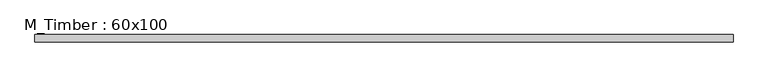
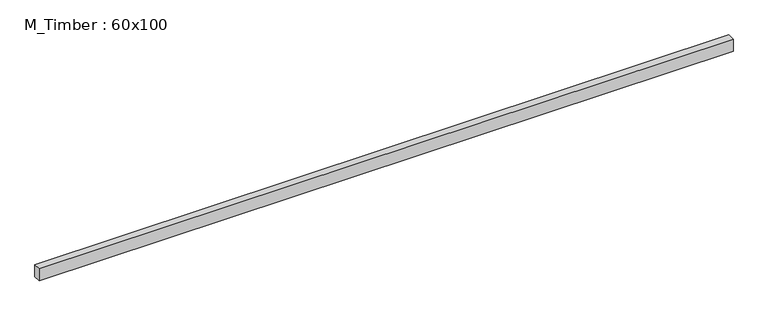
"""IFC4 building model written with IfcOpenShell, lengths in millimetres: beam geometry, M_Timber : 60x100."""

from ifc_helpers import new_model, si_unit, frame, origin, place, context, project, spatial, polyline, outline, extrude, source, transform, mapped, element, save


def m_timber_60x100_6d70f79e(model_context):
    return source(origin(), model_context, "Body", "SweptSolid", [
        extrude(outline(polyline([(2864.5637244, 30.0), (2864.5637244, -30.0), (-2678.1712424, -30.0), (-2678.1712424, 30.0), (2864.5637244, 30.0)])), frame((0.0, 0.0, -50.0), z_axis=(0.0, 0.0, 1.0), x_axis=(1.0, 0.0, 0.0)), (0.0, 0.0, 1.0), 100.0),
    ])


if __name__ == "__main__":
    model = new_model("IFC4")
    model_context = context("Model", 3, world=origin())
    ifc_project = project(units=[si_unit("LENGTHUNIT", "METRE", prefix="MILLI")], contexts=[model_context])
    site = spatial("IfcSite", under=ifc_project)
    building = spatial("IfcBuilding", under=site)
    placement = place(None, origin())
    m_timber_60x100_shape = m_timber_60x100_6d70f79e(model_context)
    element("IfcBeam", 1, ObjectType="M_Timber : 60x100", at=placement, inside=building, context=model_context, shape_type="MappedRepresentation", body=[
        mapped(m_timber_60x100_shape, transform((0.0, 0.0, 0.0), x_axis=(1.0, 0.0, 0.0), y_axis=(0.0, 1.0, 0.0), z_axis=(0.0, 0.0, 1.0))),
    ])
    save(model, "model.ifc")
